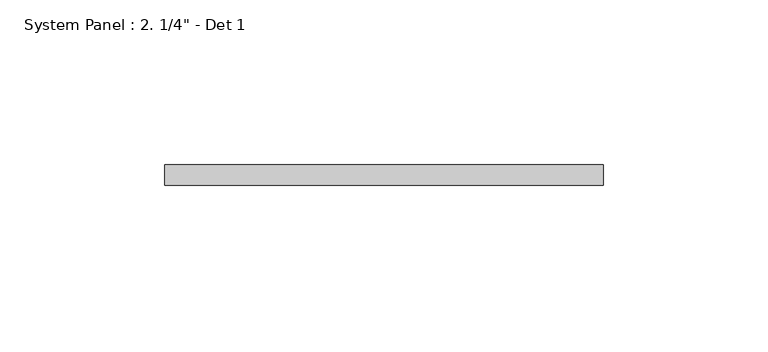
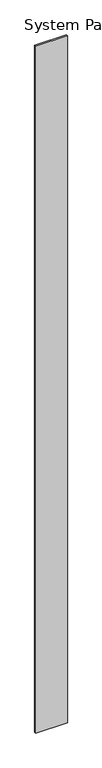
"""IFC4 building model written with IfcOpenShell, lengths in millimetres: plate geometry."""

from ifc_helpers import new_model, si_unit, origin, origin_with_axes, place, context, project, spatial, polyline, outline, extrude, source, transform, mapped, element, save


def plate_80e016ab(model_context):
    return source(origin(), model_context, "Body", "SweptSolid", [
        extrude(outline(polyline([(66.675, -6.35), (-66.675, -6.35), (-66.675, 0.0), (66.675, 0.0), (66.675, -6.35)])), origin_with_axes(), (0.0, 0.0, 1.0), 3048.0),
    ])


if __name__ == "__main__":
    model = new_model("IFC4")
    model_context = context("Model", 3, world=origin())
    ifc_project = project(units=[si_unit("LENGTHUNIT", "METRE", prefix="MILLI")], contexts=[model_context])
    site = spatial("IfcSite", under=ifc_project)
    building = spatial("IfcBuilding", under=site)
    placement = place(None, origin())
    plate_shape = plate_80e016ab(model_context)
    element("IfcPlate", 1, ObjectType="System Panel : 2. 1/4\" - Det 1", at=placement, inside=building, context=model_context, shape_type="MappedRepresentation", body=[
        mapped(plate_shape, transform((0.0, 0.0, 0.0), x_axis=(1.0, 0.0, 0.0), y_axis=(0.0, 1.0, 0.0), z_axis=(0.0, 0.0, 1.0))),
    ])
    save(model, "model.ifc")
